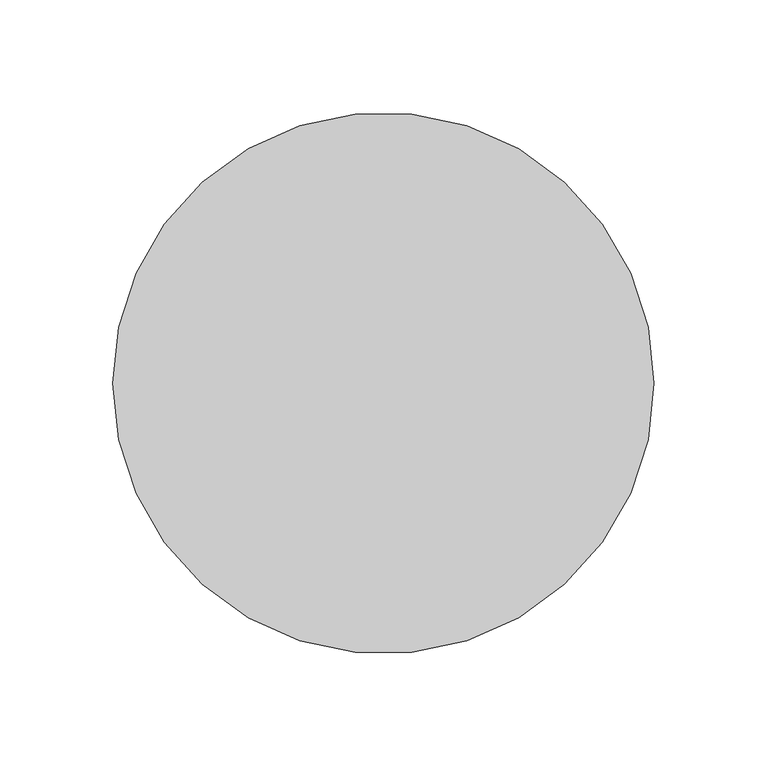
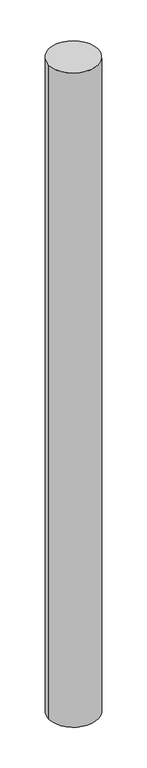
"""IFC4 building model written with IfcOpenShell, lengths in millimetres: column geometry."""

import ifcopenshell
import ifcopenshell.guid

model = None  # the IFC model being written
_history = None  # IfcOwnerHistory: only IFC2X3 demands one
_inside = {}  # id of a spatial element -> (the spatial element, [elements in it])
_under = {}  # id of a project, library or spatial element -> (it, [spatial elements below it])
_declared = {}  # id of a project -> (the project, [libraries it declares])
_typed = {}  # id of a type object -> (the type object, [elements of that type])
_made_of = {}  # id of a material, layer set ... -> (it, [elements and type objects made of it])


def new_model(schema):
    """Start an empty IFC model of exactly this schema.

    Asked for "IFC4X3", IfcOpenShell would pick the latest addendum, in which some entities
    have other attributes; the version numbers below select the first issue.
    IFC2X3 requires an IfcOwnerHistory on every rooted entity: one is made here for all.
    """
    global model, _history
    if schema == "IFC4X3":
        model = ifcopenshell.file(schema_version=(4, 3, 0, 0))
    else:
        model = ifcopenshell.file(schema=schema)
    _inside.clear()
    _under.clear()
    _declared.clear()
    _typed.clear()
    _made_of.clear()
    _history = None
    if model.schema == "IFC2X3":
        org = make("IfcOrganization", Name="unknown")
        user = make(
            "IfcPersonAndOrganization",
            ThePerson=make("IfcPerson", FamilyName="unknown"),
            TheOrganization=org,
        )
        app = make(
            "IfcApplication",
            ApplicationDeveloper=org,
            Version="unknown",
            ApplicationFullName="unknown",
            ApplicationIdentifier="unknown",
        )
        _history = make(
            "IfcOwnerHistory",
            OwningUser=user,
            OwningApplication=app,
            ChangeAction="ADDED",
            CreationDate=0,
        )
    return model


def make(cls, **values):
    """One entity of the class cls with the attributes given. An attribute that is None is left unset."""
    return model.create_entity(
        cls, **{name: value for name, value in values.items() if value is not None}
    )


def rooted(cls, **values):
    """An entity with a GlobalId (a new one), such as an element, a storey or a relation."""
    return make(cls, GlobalId=ifcopenshell.guid.new(), OwnerHistory=_history, **values)


def si_unit(unit_type, name, prefix=None):
    """IfcSIUnit, for example si_unit("LENGTHUNIT", "METRE", prefix="MILLI")."""
    return make("IfcSIUnit", UnitType=unit_type, Prefix=prefix, Name=name)


def assignment(units):
    """IfcUnitAssignment: the units of a project."""
    return None if units is None else make("IfcUnitAssignment", Units=units)


def point(xyz):
    """IfcCartesianPoint."""
    return None if xyz is None else make("IfcCartesianPoint", Coordinates=xyz)


def direction(xyz):
    """IfcDirection."""
    return None if xyz is None else make("IfcDirection", DirectionRatios=xyz)


def frame(location, z_axis=None, x_axis=None):
    """IfcAxis2Placement3D, a coordinate frame: its origin and axes. An axis left out is left unset."""
    return make(
        "IfcAxis2Placement3D",
        Location=point(location),
        Axis=direction(z_axis),
        RefDirection=direction(x_axis),
    )


def frame_2d(location, x_axis=None):
    """IfcAxis2Placement2D, a coordinate frame in the plane: its origin and x axis."""
    return make(
        "IfcAxis2Placement2D", Location=point(location), RefDirection=direction(x_axis)
    )


def origin():
    """The frame at (0, 0, 0) with its axes left unset."""
    return frame((0.0, 0.0, 0.0))


def origin_2d():
    """The frame at (0, 0) in the plane with its x axis left unset."""
    return frame_2d((0.0, 0.0))


def place(relative_to, where):
    """IfcLocalPlacement: puts the frame where relative to a parent placement (None: the world)."""
    return make(
        "IfcLocalPlacement", PlacementRelTo=relative_to, RelativePlacement=where
    )


def context(
    kind, dimensions, precision=None, world=None, true_north=None, identifier=None
):
    """IfcGeometricRepresentationContext, for example the 3D "Model" context."""
    return make(
        "IfcGeometricRepresentationContext",
        ContextIdentifier=identifier,
        ContextType=kind,
        CoordinateSpaceDimension=dimensions,
        Precision=precision,
        WorldCoordinateSystem=world,
        TrueNorth=true_north,
    )


def project(units=None, contexts=None):
    """IfcProject with its units and contexts."""
    return rooted(
        "IfcProject",
        Name="project",
        RepresentationContexts=contexts,
        UnitsInContext=assignment(units),
    )


def spatial(cls, under=None, at=None, **own):
    """A site, building, storey or space (cls), placed at a placement, below another one or the project."""
    s = rooted(cls, ObjectPlacement=at, **own)
    if under is not None:
        _under.setdefault(under.id(), (under, []))[1].append(s)
    return s


def circle_curve(where, radius):
    """IfcCircle in the frame where."""
    return make("IfcCircle", Position=where, Radius=radius)


def trimmed(basis, trim1, trim2, sense, master):
    """IfcTrimmedCurve: the piece of a basis curve between two trims."""
    return make(
        "IfcTrimmedCurve",
        BasisCurve=basis,
        Trim1=trim1,
        Trim2=trim2,
        SenseAgreement=sense,
        MasterRepresentation=master,
    )


def segment(curve, same_sense, transition):
    """IfcCompositeCurveSegment."""
    return make(
        "IfcCompositeCurveSegment",
        Transition=transition,
        SameSense=same_sense,
        ParentCurve=curve,
    )


def composite_curve(segments, self_intersect=None):
    """IfcCompositeCurve: segments joined end to end."""
    return make("IfcCompositeCurve", Segments=segments, SelfIntersect=self_intersect)


def outline(outer, holes=None, kind="AREA"):
    """IfcArbitraryClosedProfileDef: a profile drawn as a closed curve; with holes, ...WithVoids."""
    if holes is None:
        return make("IfcArbitraryClosedProfileDef", ProfileType=kind, OuterCurve=outer)
    return make(
        "IfcArbitraryProfileDefWithVoids",
        ProfileType=kind,
        OuterCurve=outer,
        InnerCurves=holes,
    )


def extrude(swept, where, along, depth):
    """IfcExtrudedAreaSolid: the profile swept, set in the frame where, extruded along a direction by depth."""
    return make(
        "IfcExtrudedAreaSolid",
        SweptArea=swept,
        Position=where,
        ExtrudedDirection=direction(along),
        Depth=depth,
    )


def shape(context_of_items, identifier, shape_type, items):
    """IfcShapeRepresentation: the items that make up one representation, for example the "Body"."""
    return make(
        "IfcShapeRepresentation",
        ContextOfItems=context_of_items,
        RepresentationIdentifier=identifier,
        RepresentationType=shape_type,
        Items=items,
    )


def source(mapping_origin, context_of_items, identifier, shape_type, items):
    """IfcRepresentationMap: a shape defined once, which mapped items show again and again."""
    return make(
        "IfcRepresentationMap",
        MappingOrigin=mapping_origin,
        MappedRepresentation=shape(context_of_items, identifier, shape_type, items),
    )


def transform(
    local_origin,
    x_axis=None,
    y_axis=None,
    z_axis=None,
    scale=None,
    scale2=None,
    scale3=None,
    uniform=True,
):
    """IfcCartesianTransformationOperator3D, or its non-uniform kind. x_axis, y_axis, z_axis: its Axis1, 2, 3."""
    if uniform:
        return make(
            "IfcCartesianTransformationOperator3D",
            Axis1=direction(x_axis),
            Axis2=direction(y_axis),
            LocalOrigin=point(local_origin),
            Scale=scale,
            Axis3=direction(z_axis),
        )
    return make(
        "IfcCartesianTransformationOperator3DnonUniform",
        Axis1=direction(x_axis),
        Axis2=direction(y_axis),
        LocalOrigin=point(local_origin),
        Scale=scale,
        Axis3=direction(z_axis),
        Scale2=scale2,
        Scale3=scale3,
    )


def mapped(mapping_source, mapping_target):
    """IfcMappedItem: shows the shape of a source again, moved by a transform."""
    return make(
        "IfcMappedItem", MappingSource=mapping_source, MappingTarget=mapping_target
    )


def made_of(thing, what):
    """Note that an element or type object is made of a material, layer set ...; save() writes the relation."""
    if what is not None:
        _made_of.setdefault(what.id(), (what, []))[1].append(thing)
    return thing


def element(
    cls,
    number,
    at=None,
    inside=None,
    cuts=None,
    type_object=None,
    material=None,
    context=None,
    identifier="Body",
    shape_type=None,
    held_by="IfcProductDefinitionShape",
    body=None,
    shapes=None,
    **own,
):
    """One element of the class cls, such as IfcWall. Its Tag is "e" and its number.

    at: its placement. inside: the storey or other place that contains it. cuts: it is an
    opening in that element (IfcRelVoidsElement). A single representation is given by context,
    identifier, shape_type and body (its items); several are given by shapes. held_by: the class
    of the entity that holds the representations. save() writes the other relations.
    """
    e = rooted(cls, Tag="e%d" % number, ObjectPlacement=at, **own)
    if body is not None:
        shapes = [shape(context, identifier, shape_type, body)]
    if shapes is not None:
        e.Representation = make(held_by, Representations=shapes)
    if inside is not None:
        _inside.setdefault(inside.id(), (inside, []))[1].append(e)
    if cuts is not None:
        rooted(
            "IfcRelVoidsElement", RelatingBuildingElement=cuts, RelatedOpeningElement=e
        )
    if type_object is not None:
        _typed.setdefault(type_object.id(), (type_object, []))[1].append(e)
    return made_of(e, material)


def aggregate(whole, parts):
    """IfcRelAggregates: a whole, such as a stair, and the parts it consists of."""
    return rooted("IfcRelAggregates", RelatingObject=whole, RelatedObjects=parts)


def save(model, path):
    """Write the relations noted so far, then the file.

    IfcRelAggregates (storeys below a building ...), IfcRelContainedInSpatialStructure (elements
    in a storey), IfcRelDefinesByType, IfcRelAssociatesMaterial and IfcRelDeclares: one each for
    every whole, place, type object, material and project.
    """
    for whole, parts in _under.values():
        aggregate(whole, parts)
    for where, things in _inside.values():
        rooted(
            "IfcRelContainedInSpatialStructure",
            RelatedElements=things,
            RelatingStructure=where,
        )
    for kind, things in _typed.values():
        rooted("IfcRelDefinesByType", RelatedObjects=things, RelatingType=kind)
    for what, things in _made_of.values():
        rooted("IfcRelAssociatesMaterial", RelatedObjects=things, RelatingMaterial=what)
    for by, libraries in _declared.values():
        rooted("IfcRelDeclares", RelatingContext=by, RelatedDefinitions=libraries)
    model.write(path)


def column_30f18495(model_context):
    return source(origin(), model_context, "Body", "SweptSolid", [
        extrude(outline(composite_curve([segment(trimmed(circle_curve(origin_2d(), 120.0), [point((-120.0, 0.0))], [point((120.0, 0.0))], False, "CARTESIAN"), True, "CONTINUOUS"), segment(trimmed(circle_curve(origin_2d(), 120.0), [point((120.0, 0.0))], [point((-120.0, 0.0))], False, "CARTESIAN"), True, "CONTINUOUS")], self_intersect=False)), frame((0.0, 0.0, -100.0), z_axis=(0.0, 0.0, 1.0), x_axis=(1.0, 0.0, 0.0)), (0.0, 0.0, 1.0), 3400.0),
    ])


if __name__ == "__main__":
    model = new_model("IFC4")
    model_context = context("Model", 3, world=origin())
    ifc_project = project(units=[si_unit("LENGTHUNIT", "METRE", prefix="MILLI")], contexts=[model_context])
    site = spatial("IfcSite", under=ifc_project)
    building = spatial("IfcBuilding", under=site)
    placement = place(None, origin())
    column_shape = column_30f18495(model_context)
    element("IfcColumn", 1, at=placement, inside=building, context=model_context, shape_type="MappedRepresentation", body=[
        mapped(column_shape, transform((0.0, 0.0, 0.0), x_axis=(1.0, 0.0, 0.0), y_axis=(0.0, 1.0, 0.0), z_axis=(0.0, 0.0, 1.0))),
    ])
    save(model, "model.ifc")
